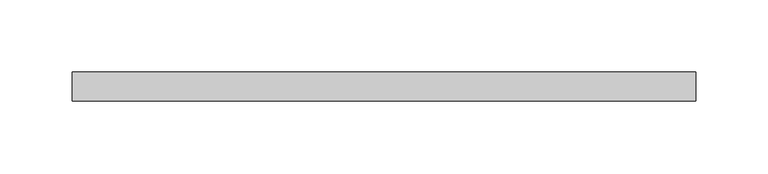
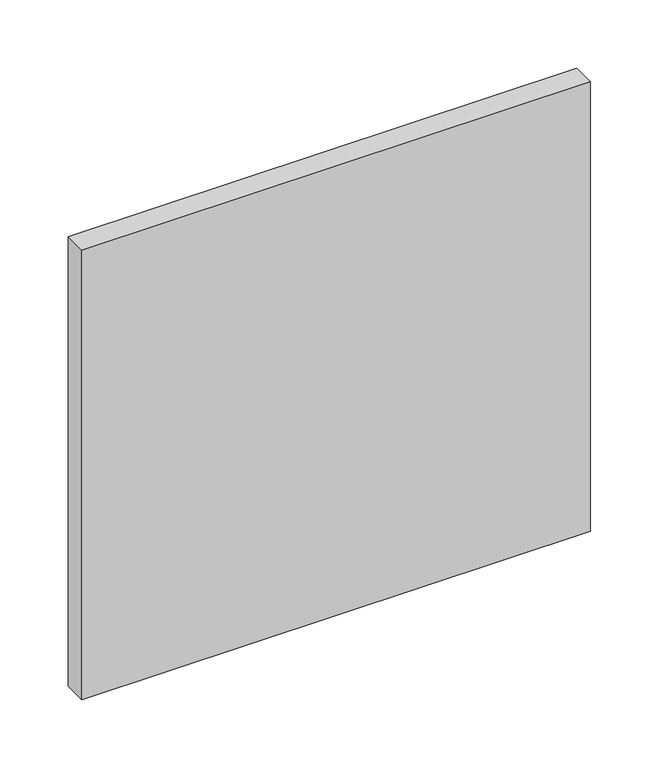
"""IFC4 building model written with IfcOpenShell, lengths in millimetres: plate geometry."""

from ifc_helpers import new_model, si_unit, origin, origin_with_axes, place, context, project, spatial, polyline, outline, extrude, source, transform, mapped, element, save


def plate_a8c9394f(model_context):
    return source(origin(), model_context, "Body", "SweptSolid", [
        extrude(outline(polyline([(214.8913043, 70.0), (-214.8913043, 70.0), (-214.8913043, 90.0), (214.8913043, 90.0), (214.8913043, 70.0)])), origin_with_axes(), (0.0, 0.0, 1.0), 401.6624409),
    ])


if __name__ == "__main__":
    model = new_model("IFC4")
    model_context = context("Model", 3, world=origin())
    ifc_project = project(units=[si_unit("LENGTHUNIT", "METRE", prefix="MILLI")], contexts=[model_context])
    site = spatial("IfcSite", under=ifc_project)
    building = spatial("IfcBuilding", under=site)
    placement = place(None, origin())
    plate_shape = plate_a8c9394f(model_context)
    element("IfcPlate", 1, at=placement, inside=building, context=model_context, shape_type="MappedRepresentation", body=[
        mapped(plate_shape, transform((0.0, 0.0, 0.0), x_axis=(1.0, 0.0, 0.0), y_axis=(0.0, 1.0, 0.0), z_axis=(0.0, 0.0, 1.0))),
    ])
    save(model, "model.ifc")
